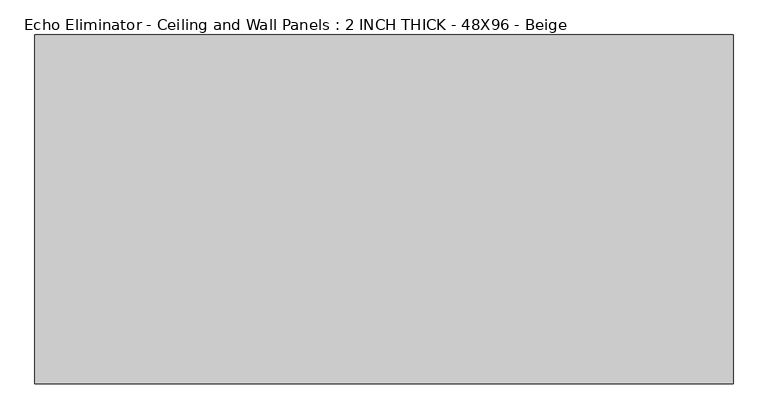
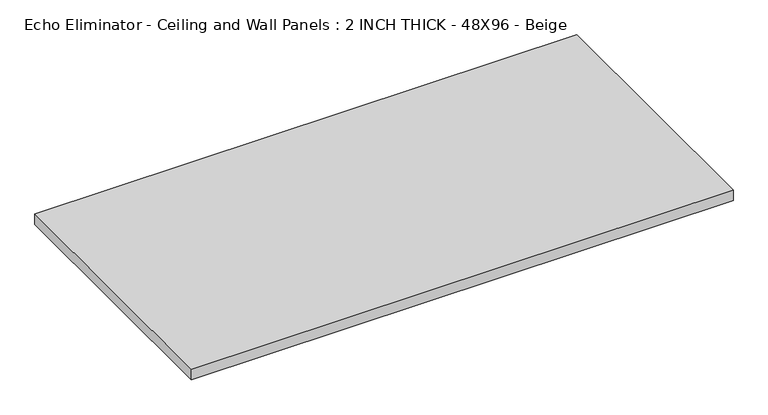
"""IFC4 building model written with IfcOpenShell, lengths in millimetres: proxy geometry, Echo Eliminator - Ceiling and Wall Panels : 2 INCH THICK - 48X96 - Beige."""

from ifc_helpers import new_model, si_unit, origin, origin_with_axes, place, context, project, spatial, polyline, outline, extrude, source, transform, mapped, element, save


def echo_eliminator_ceiling_and_wall_panels_2_inch_thick_48x96_53a8713e(model_context):
    return source(origin(), model_context, "Body", "SweptSolid", [
        extrude(outline(polyline([(-1219.2, 609.6), (1219.2, 609.6), (1219.2, -609.6), (-1219.2, -609.6), (-1219.2, 609.6)])), origin_with_axes(), (0.0, 0.0, 1.0), 50.8),
    ])


if __name__ == "__main__":
    model = new_model("IFC4")
    model_context = context("Model", 3, world=origin())
    ifc_project = project(units=[si_unit("LENGTHUNIT", "METRE", prefix="MILLI")], contexts=[model_context])
    site = spatial("IfcSite", under=ifc_project)
    building = spatial("IfcBuilding", under=site)
    placement = place(None, origin())
    echo_eliminator_ceiling_and_wall_panels_2_inch_thick_48x96_shape = echo_eliminator_ceiling_and_wall_panels_2_inch_thick_48x96_53a8713e(model_context)
    element("IfcBuildingElementProxy", 1, Name="Echo Eliminator - Ceiling and Wall Panels : 2 INCH THICK - 48X96 - Beige", ObjectType="Echo Eliminator - Ceiling and Wall Panels : 2 INCH THICK - 48X96 - Beige", at=placement, inside=building, context=model_context, shape_type="MappedRepresentation", body=[
        mapped(echo_eliminator_ceiling_and_wall_panels_2_inch_thick_48x96_shape, transform((0.0, 0.0, 0.0), x_axis=(1.0, 0.0, 0.0), y_axis=(0.0, 1.0, 0.0), z_axis=(0.0, 0.0, 1.0))),
    ])
    save(model, "model.ifc")
